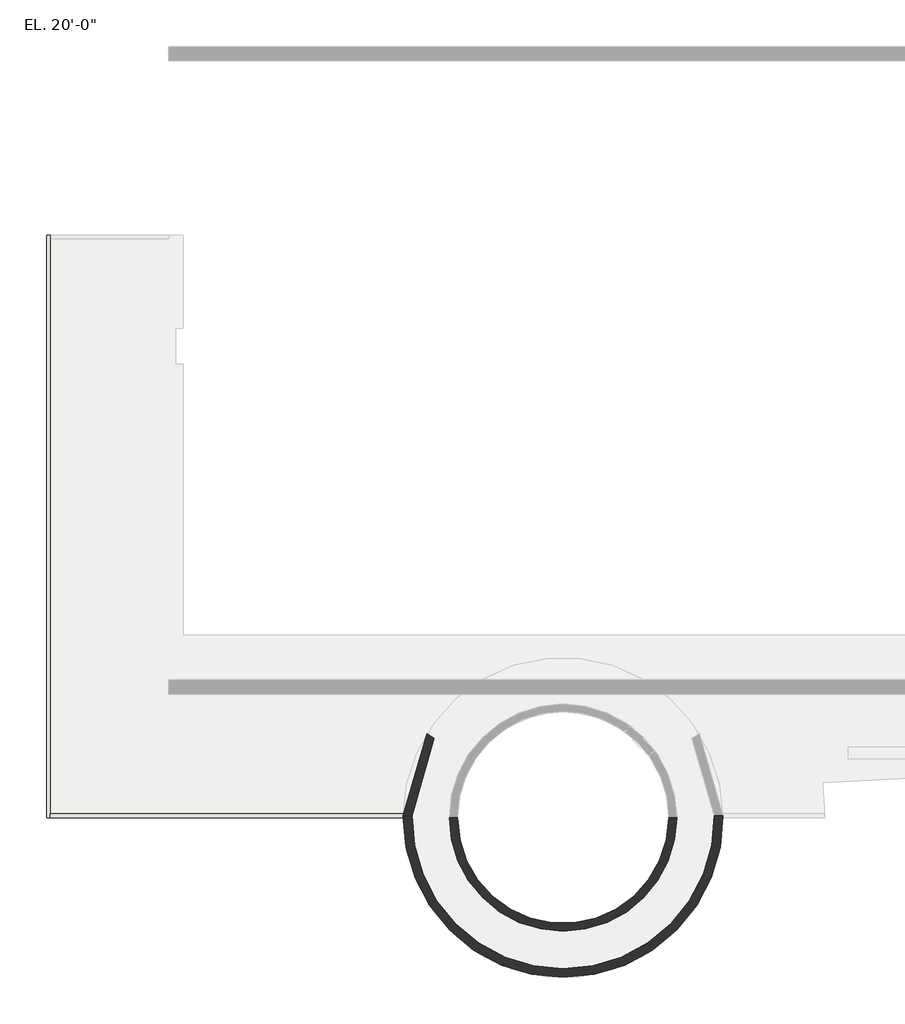
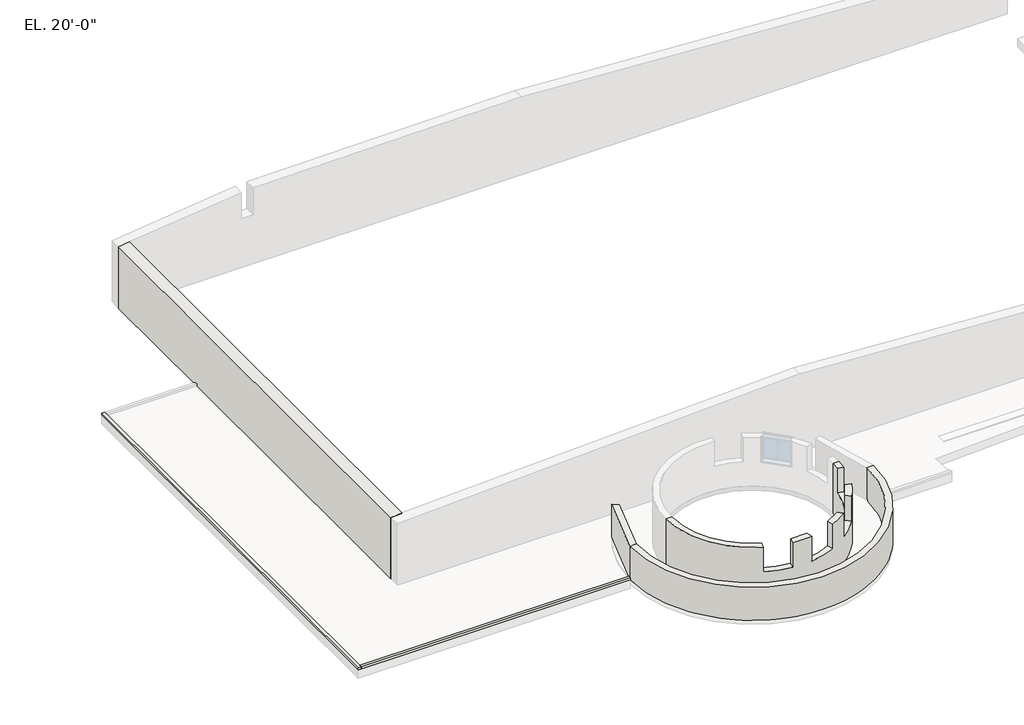
# One storey, part 1 of 2: 6 walls.
"""IFC4 building model written with IfcOpenShell, lengths in millimetres."""

from ifc_helpers import new_model, si_unit, frame, origin, place, context, project, spatial, polyline, circle_curve, faceted_brep, element, save
from ifc_brep_helpers import plane_surface, cylinder_surface, revolved_surface, advanced_brep

model = new_model("IFC4")

# Units and contexts
model_context = context("Model", 3, world=origin())
ifc_project = project(units=[si_unit("LENGTHUNIT", "METRE", prefix="MILLI")], contexts=[model_context])

# Site, building, storey
site = spatial("IfcSite", under=ifc_project)
building = spatial("IfcBuilding", under=site)
storey = spatial("IfcBuildingStorey", under=building, Name="EL. 20'-0\"", Elevation=6096.0)

# Walls
placement = place(None, origin())
element("IfcWall", 1, ObjectType="Generic - 16 3/4\"", at=placement, inside=storey, context=model_context, shape_type="AdvancedBrep", body=[
    advanced_brep(
    [(-30278.3440345, -26167.559635, 9753.6), (-30703.7940345, -26167.559635, 9753.6), (-27074.3846746, -31721.5383098, 9753.6), (-26962.8986201, -31305.4666904, 9753.6), (-18575.2940345, -26167.559635, 9753.6), (-19000.7440345, -26167.559635, 9753.6), (-19028.3087095, -26724.4290695, 9753.6), (-18612.23709, -26835.915124, 9753.6), (-23971.1885456, -32194.8665795, 9753.6), (-24082.6746, -31778.7949601, 9753.6), (-25196.413469, -31778.7949601, 9753.6), (-25307.8995234, -32194.8665795, 9753.6), (-22316.1894489, -31305.4666904, 9753.6), (-22204.7033945, -31721.5383098, 9753.6), (-21047.0777301, -31053.1828209, 9753.6), (-21351.6632951, -30748.5972559, 9753.6), (-20058.5064137, -29455.4403744, 9753.6), (-19753.9208487, -29760.0259394, 9753.6), (-19085.5653597, -28602.4002751, 9753.6), (-19501.6369792, -28490.9142207, 9753.6), (-30278.3440345, -26167.559635, 6096.0), (-19000.7440345, -26167.559635, 6096.0), (-18575.2940345, -26167.559635, 6096.0), (-30703.7940345, -26167.559635, 6096.0), (-26962.8986201, -31305.4666904, 7924.8), (-25196.413469, -31778.7949601, 7924.8), (-24082.6746, -31778.7949601, 7924.8), (-22316.1894489, -31305.4666904, 7924.8), (-21351.6632951, -30748.5972559, 7924.8), (-20058.5064137, -29455.4403744, 7924.8), (-19501.6369792, -28490.9142207, 7924.8), (-19028.3087095, -26724.4290695, 7924.8), (-18612.23709, -26835.915124, 7924.8), (-19085.5653597, -28602.4002751, 7924.8), (-19753.9208487, -29760.0259394, 7924.8), (-21047.0777301, -31053.1828209, 7924.8), (-22204.7033945, -31721.5383098, 7924.8), (-23971.1885456, -32194.8665795, 7924.8), (-25307.8995234, -32194.8665795, 7924.8), (-27074.3846746, -31721.5383098, 7924.8)],
    [
        (0, 1),
        (1, 2, circle_curve(frame((-24639.5440345, -26167.559635, 9753.6), z_axis=(0.0, 0.0, 1.0), x_axis=(1.0, 0.0, 0.0)), 6064.25)),
        (2, 3),
        (3, 0, circle_curve(frame((-24639.5440345, -26167.559635, 9753.6), z_axis=(0.0, 0.0, -1.0), x_axis=(1.0, 0.0, 0.0)), 5638.8)),
        (4, 5),
        (5, 6, circle_curve(frame((-24639.5440345, -26167.559635, 9753.6), z_axis=(0.0, 0.0, -1.0), x_axis=(1.0, 0.0, 0.0)), 5638.8)),
        (6, 7),
        (7, 4, circle_curve(frame((-24639.5440345, -26167.559635, 9753.6), z_axis=(0.0, 0.0, 1.0), x_axis=(1.0, 0.0, 0.0)), 6064.25)),
        (8, 9),
        (9, 10, circle_curve(frame((-24639.5440345, -26167.559635, 9753.6), z_axis=(0.0, 0.0, -1.0), x_axis=(1.0, 0.0, 0.0)), 5638.8)),
        (10, 11),
        (11, 8, circle_curve(frame((-24639.5440345, -26167.559635, 9753.6), z_axis=(0.0, 0.0, 1.0), x_axis=(1.0, 0.0, 0.0)), 6064.25)),
        (12, 13),
        (13, 14, circle_curve(frame((-24639.5440345, -26167.559635, 9753.6), z_axis=(0.0, 0.0, 1.0), x_axis=(1.0, 0.0, 0.0)), 6064.25)),
        (14, 15),
        (15, 12, circle_curve(frame((-24639.5440345, -26167.559635, 9753.6), z_axis=(0.0, 0.0, -1.0), x_axis=(1.0, 0.0, 0.0)), 5638.8)),
        (16, 17),
        (17, 18, circle_curve(frame((-24639.5440345, -26167.559635, 9753.6), z_axis=(0.0, 0.0, 1.0), x_axis=(1.0, 0.0, 0.0)), 6064.25)),
        (18, 19),
        (19, 16, circle_curve(frame((-24639.5440345, -26167.559635, 9753.6), z_axis=(0.0, 0.0, -1.0), x_axis=(1.0, 0.0, 0.0)), 5638.8)),
        (20, 21, circle_curve(frame((-24639.5440345, -26167.559635, 6096.0), z_axis=(0.0, 0.0, 1.0), x_axis=(1.0, 0.0, 0.0)), 5638.8)),
        (21, 22),
        (22, 23, circle_curve(frame((-24639.5440345, -26167.559635, 6096.0), z_axis=(0.0, 0.0, -1.0), x_axis=(1.0, 0.0, 0.0)), 6064.25)),
        (23, 20),
        (20, 0),
        (3, 24),
        (24, 25, circle_curve(frame((-24639.5440345, -26167.559635, 7924.8), z_axis=(0.0, 0.0, 1.0), x_axis=(1.0, 0.0, 0.0)), 5638.8)),
        (25, 10),
        (9, 26),
        (26, 27, circle_curve(frame((-24639.5440345, -26167.559635, 7924.8), z_axis=(0.0, 0.0, 1.0), x_axis=(1.0, 0.0, 0.0)), 5638.8)),
        (27, 12),
        (15, 28),
        (28, 29, circle_curve(frame((-24639.5440345, -26167.559635, 7924.8), z_axis=(0.0, 0.0, 1.0), x_axis=(1.0, 0.0, 0.0)), 5638.8)),
        (29, 16),
        (19, 30),
        (30, 31, circle_curve(frame((-24639.5440345, -26167.559635, 7924.8), z_axis=(0.0, 0.0, 1.0), x_axis=(1.0, 0.0, 0.0)), 5638.8)),
        (31, 6),
        (5, 21),
        (23, 1),
        (22, 4),
        (7, 32),
        (32, 33, circle_curve(frame((-24639.5440345, -26167.559635, 7924.8), z_axis=(0.0, 0.0, -1.0), x_axis=(1.0, 0.0, 0.0)), 6064.25)),
        (33, 18),
        (17, 34),
        (34, 35, circle_curve(frame((-24639.5440345, -26167.559635, 7924.8), z_axis=(0.0, 0.0, -1.0), x_axis=(1.0, 0.0, 0.0)), 6064.25)),
        (35, 14),
        (13, 36),
        (36, 37, circle_curve(frame((-24639.5440345, -26167.559635, 7924.8), z_axis=(0.0, 0.0, -1.0), x_axis=(1.0, 0.0, 0.0)), 6064.25)),
        (37, 8),
        (11, 38),
        (38, 39, circle_curve(frame((-24639.5440345, -26167.559635, 7924.8), z_axis=(0.0, 0.0, -1.0), x_axis=(1.0, 0.0, 0.0)), 6064.25)),
        (39, 2),
        (31, 32),
        (30, 33),
        (37, 26),
        (36, 27),
        (35, 28),
        (34, 29),
        (39, 24),
        (38, 25),
    ],
    [
        plane_surface(frame((-19000.7440345, -26167.559635, 9753.6), z_axis=(0.0, 0.0, 1.0), x_axis=(0.0, -1.0, 0.0))),
        plane_surface(frame((-19000.7440345, -26167.559635, 6096.0), z_axis=(0.0, 0.0, -1.0), x_axis=(0.0, 1.0, 0.0))),
        revolved_surface(polyline([(-19000.7440345, -26167.559635, 6096.0), (-19000.7440345, -26167.559635, 9753.6)]), (-24639.5440345, -26167.559635, 6096.0), (0.0, 0.0, -1.0)),
        plane_surface(frame((-30278.3440345, -26167.559635, 9753.6), z_axis=(0.0, 1.0, 0.0), x_axis=(0.0, 0.0, -1.0))),
        cylinder_surface(frame((-24639.5440345, -26167.559635, 6096.0), z_axis=(0.0, 0.0, 1.0), x_axis=(1.0, 0.0, 0.0)), 6064.25),
        plane_surface(frame((-18575.2940345, -26167.559635, 9753.6), z_axis=(0.0, 1.0, 0.0), x_axis=(0.0, 0.0, -1.0))),
        plane_surface(frame((-20495.2611921, -26331.3603365, 9753.6), z_axis=(-0.25881904510262654, -0.96592582628904, 0.0), x_axis=(0.96592582628904, -0.25881904510262654, 0.0))),
        plane_surface(frame((-20495.2611921, -26331.3603365, 7924.8), z_axis=(0.0, 0.0, 1.0), x_axis=(0.96592582628904, -0.25881904510262654, 0.0))),
        plane_surface(frame((-20968.5894618, -28097.8454876, 7924.8), z_axis=(0.25881904510262654, 0.96592582628904, 0.0), x_axis=(0.96592582628904, -0.25881904510262654, 0.0))),
        plane_surface(frame((-23686.8628836, -33255.984396, 9753.6), z_axis=(0.965925826289096, 0.2588190451024176, 0.0), x_axis=(-0.2588190451024176, 0.965925826289096, 0.0))),
        plane_surface(frame((-23686.8628836, -33255.984396, 7924.8), z_axis=(0.0, 0.0, 1.0), x_axis=(-0.2588190451024176, 0.965925826289096, 0.0))),
        plane_surface(frame((-21920.3777325, -32782.6561263, 7924.8), z_axis=(-0.965925826289096, -0.2588190451024176, 0.0), x_axis=(-0.2588190451024176, 0.965925826289096, 0.0))),
        plane_surface(frame((-20270.2855756, -31829.9749753, 9753.6), z_axis=(0.7071067811864993, 0.7071067811865959, 0.0), x_axis=(-0.7071067811865959, 0.7071067811864993, 0.0))),
        plane_surface(frame((-20270.2855756, -31829.9749753, 7924.8), z_axis=(0.0, 0.0, 1.0000000000000002), x_axis=(-0.7071067811865959, 0.7071067811864993, 0.0))),
        plane_surface(frame((-18977.1286942, -30536.8180939, 7924.8), z_axis=(-0.7071067811864993, -0.7071067811865959, 0.0), x_axis=(-0.7071067811865959, 0.7071067811864993, 0.0))),
        plane_surface(frame((-27358.7103366, -32782.6561263, 9753.6), z_axis=(0.9659258262890933, -0.2588190451024276, 0.0), x_axis=(0.2588190451024276, 0.9659258262890933, 0.0))),
        plane_surface(frame((-27358.7103366, -32782.6561263, 7924.8), z_axis=(0.0, 0.0, 1.0), x_axis=(0.2588190451024276, 0.9659258262890933, 0.0))),
        plane_surface(frame((-25592.2251854, -33255.984396, 7924.8), z_axis=(-0.9659258262890933, 0.2588190451024276, 0.0), x_axis=(0.2588190451024276, 0.9659258262890933, 0.0))),
    ],
    [
        (0, [[1, 2, 3, 4]]),
        (0, [[5, 6, 7, 8]]),
        (0, [[9, 10, 11, 12]]),
        (0, [[13, 14, 15, 16]]),
        (0, [[17, 18, 19, 20]]),
        (1, [[21, 22, 23, 24]]),
        (2, [[-21, 25, -4, 26, 27, 28, -10, 29, 30, 31, -16, 32, 33, 34, -20, 35, 36, 37, -6, 38]]),
        (3, [[-1, -25, -24, 39]]),
        (4, [[-23, 40, -8, 41, 42, 43, -18, 44, 45, 46, -14, 47, 48, 49, -12, 50, 51, 52, -2, -39]]),
        (5, [[-5, -40, -22, -38]]),
        (6, [[53, -41, -7, -37]]),
        (7, [[-53, -36, 54, -42]]),
        (8, [[-54, -35, -19, -43]]),
        (9, [[55, -29, -9, -49]]),
        (10, [[-55, -48, 56, -30]]),
        (11, [[-56, -47, -13, -31]]),
        (12, [[57, -32, -15, -46]]),
        (13, [[-57, -45, 58, -33]]),
        (14, [[-58, -44, -17, -34]]),
        (15, [[59, -26, -3, -52]]),
        (16, [[-59, -51, 60, -27]]),
        (17, [[-60, -50, -11, -28]]),
    ],
),
])
element("IfcWall", 2, ObjectType="Generic - 18\"", at=placement, inside=storey, context=model_context, shape_type="AdvancedBrep", body=[
    advanced_brep(
    [(-16562.9483609, -26068.7559653, 8534.4), (-32716.1397081, -26068.7559653, 8534.4), (-33173.305501, -26063.1633047, 8534.4), (-16105.7825681, -26063.1633047, 8534.4), (-16562.3440345, -26167.559635, 6096.0), (-16105.1440345, -26167.559635, 6096.0), (-33173.9440345, -26167.559635, 6096.0), (-32716.7440345, -26167.559635, 6096.0), (-16562.9483609, -26068.7559653, 6248.4), (-16562.3440345, -26167.559635, 6248.4), (-32716.7440345, -26167.559635, 6248.4), (-32716.1397081, -26068.7559653, 6248.4), (-33173.305501, -26063.1633047, 6248.4), (-33173.9440345, -26167.559635, 6248.4), (-16105.1440345, -26167.559635, 6248.4), (-16105.7825681, -26063.1633047, 6248.4)],
    [
        (0, 1, circle_curve(frame((-24639.5440345, -26167.559635, 8534.4), z_axis=(0.0, 0.0, -1.0), x_axis=(1.0, 0.0, 0.0)), 8077.2)),
        (1, 2),
        (2, 3, circle_curve(frame((-24639.5440345, -26167.559635, 8534.4), z_axis=(0.0, 0.0, 1.0), x_axis=(1.0, 0.0, 0.0)), 8534.4)),
        (3, 0),
        (4, 5),
        (5, 6, circle_curve(frame((-24639.5440345, -26167.559635, 6096.0), z_axis=(0.0, 0.0, -1.0), x_axis=(1.0, 0.0, 0.0)), 8534.4)),
        (6, 7),
        (7, 4, circle_curve(frame((-24639.5440345, -26167.559635, 6096.0), z_axis=(0.0, 0.0, 1.0), x_axis=(1.0, 0.0, 0.0)), 8077.2)),
        (0, 8),
        (8, 9, circle_curve(frame((-24639.5440345, -26167.559635, 6248.4), z_axis=(0.0, 0.0, -1.0), x_axis=(1.0, 0.0, 0.0)), 8077.2)),
        (9, 4),
        (7, 10),
        (10, 11, circle_curve(frame((-24639.5440345, -26167.559635, 6248.4), z_axis=(0.0, 0.0, -1.0), x_axis=(1.0, 0.0, 0.0)), 8077.2)),
        (11, 1),
        (2, 12),
        (12, 13, circle_curve(frame((-24639.5440345, -26167.559635, 6248.4), z_axis=(0.0, 0.0, 1.0), x_axis=(1.0, 0.0, 0.0)), 8534.4)),
        (13, 6),
        (5, 14),
        (14, 15, circle_curve(frame((-24639.5440345, -26167.559635, 6248.4), z_axis=(0.0, 0.0, 1.0), x_axis=(1.0, 0.0, 0.0)), 8534.4)),
        (15, 3),
        (11, 12),
        (10, 13),
        (15, 8),
        (14, 9),
    ],
    [
        plane_surface(frame((-16562.3440345, -26167.559635, 8534.4), z_axis=(0.0, 0.0, 1.0), x_axis=(0.0, -1.0, 0.0))),
        plane_surface(frame((-16562.3440345, -26167.559635, 6096.0), z_axis=(0.0, 0.0, -1.0), x_axis=(0.0, 1.0, 0.0))),
        revolved_surface(polyline([(-16562.344034499998, -26167.559635, 6096.0), (-16562.344034499998, -26167.559635, 8534.4)]), (-24639.5440345, -26167.559635, 6096.0), (0.0, 0.0, -1.0)),
        cylinder_surface(frame((-24639.5440345, -26167.559635, 6096.0), z_axis=(0.0, 0.0, 1.0), x_axis=(1.0, 0.0, 0.0)), 8534.4),
        plane_surface(frame((-32716.1397081, -26068.7559653, 8534.4), z_axis=(0.012232415902256363, 0.9999251812016708, 0.0), x_axis=(0.0, 0.0, -1.0))),
        plane_surface(frame((-32716.1397081, -26068.7559653, 6248.4), z_axis=(0.0, 0.0, -1.0), x_axis=(1.0, 0.0, 0.0))),
        plane_surface(frame((-52223.9440345, -26167.559635, 6096.0), z_axis=(0.0, 1.0, 0.0), x_axis=(1.0, 0.0, 0.0))),
        plane_surface(frame((-16105.7825681, -26063.1633047, 8534.4), z_axis=(-0.012232415902019551, 0.9999251812016737, 0.0), x_axis=(0.0, 0.0, -1.0))),
        plane_surface(frame((-16105.7825681, -26063.1633047, 6248.4), z_axis=(0.0, 0.0, -1.0), x_axis=(1.0, 0.0, 0.0))),
        plane_surface(frame((-16105.1440345, -26167.559635, 6096.0), z_axis=(0.0, 1.0, 0.0), x_axis=(1.0, 0.0, 0.0))),
    ],
    [
        (0, [[1, 2, 3, 4]]),
        (1, [[5, 6, 7, 8]]),
        (2, [[-1, 9, 10, 11, -8, 12, 13, 14]]),
        (3, [[-3, 15, 16, 17, -6, 18, 19, 20]]),
        (4, [[-2, -14, 21, -15]]),
        (5, [[-21, -13, 22, -16]]),
        (6, [[-12, -7, -17, -22]]),
        (7, [[-4, -20, 23, -9]]),
        (8, [[-23, -19, 24, -10]]),
        (9, [[-18, -5, -11, -24]]),
    ],
),
])
element("IfcWall", 3, ObjectType="Generic - 18\"", at=placement, inside=storey, context=model_context, shape_type="AdvancedBrep", body=[
    advanced_brep(
    [(-32716.1397081, -26068.7559653, 8534.4), (-31526.48917, -21947.2342281, 8534.4), (-31916.3162532, -21708.3478843, 8534.4), (-33173.305501, -26063.1633047, 8534.4), (-32714.1876551, -25964.359635, 6096.0), (-33171.524644, -25964.359635, 6096.0), (-31916.3162532, -21708.3478843, 6096.0), (-31526.48917, -21947.2342281, 6096.0), (-32716.1397081, -26068.7559653, 6248.4), (-32714.1876551, -25964.359635, 6248.4), (-33171.524644, -25964.359635, 6248.4), (-33173.305501, -26063.1633047, 6248.4)],
    [
        (0, 1, circle_curve(frame((-24639.5440345, -26167.559635, 8534.4), z_axis=(0.0, 0.0, -1.0), x_axis=(1.0, 0.0, 0.0)), 8077.2)),
        (1, 2),
        (2, 3, circle_curve(frame((-24639.5440345, -26167.559635, 8534.4), z_axis=(0.0, 0.0, 1.0), x_axis=(1.0, 0.0, 0.0)), 8534.4)),
        (3, 0),
        (4, 5),
        (5, 6, circle_curve(frame((-24639.5440345, -26167.559635, 6096.0), z_axis=(0.0, 0.0, -1.0), x_axis=(1.0, 0.0, 0.0)), 8534.4)),
        (6, 7),
        (7, 4, circle_curve(frame((-24639.5440345, -26167.559635, 6096.0), z_axis=(0.0, 0.0, 1.0), x_axis=(1.0, 0.0, 0.0)), 8077.2)),
        (0, 8),
        (8, 9, circle_curve(frame((-24639.5440345, -26167.559635, 6248.4), z_axis=(0.0, 0.0, -1.0), x_axis=(1.0, 0.0, 0.0)), 8077.2)),
        (9, 4),
        (7, 1),
        (6, 2),
        (5, 10),
        (10, 11, circle_curve(frame((-24639.5440345, -26167.559635, 6248.4), z_axis=(0.0, 0.0, 1.0), x_axis=(1.0, 0.0, 0.0)), 8534.4)),
        (11, 3),
        (11, 8),
        (10, 9),
    ],
    [
        plane_surface(frame((-16562.3440345, -26167.559635, 8534.4), z_axis=(0.0, 0.0, 1.0), x_axis=(0.0, -1.0, 0.0))),
        plane_surface(frame((-16562.3440345, -26167.559635, 6096.0), z_axis=(0.0, 0.0, -1.0), x_axis=(0.0, 1.0, 0.0))),
        revolved_surface(polyline([(-16562.344034499998, -26167.559635, 6096.0), (-16562.344034499998, -26167.559635, 8534.4)]), (-24639.5440345, -26167.559635, 6096.0), (0.0, 0.0, -1.0)),
        plane_surface(frame((-31526.48917, -21947.2342281, 8534.4), z_axis=(0.5224985647159421, 0.8526401643540964, 0.0), x_axis=(0.0, 0.0, -1.0))),
        cylinder_surface(frame((-24639.5440345, -26167.559635, 6096.0), z_axis=(0.0, 0.0, 1.0), x_axis=(1.0, 0.0, 0.0)), 8534.4),
        plane_surface(frame((-33173.305501, -26063.1633047, 8534.4), z_axis=(-0.012232415902256363, -0.9999251812016708, 0.0), x_axis=(0.0, 0.0, -1.0))),
        plane_surface(frame((-33173.305501, -26063.1633047, 6248.4), z_axis=(0.0, 0.0, -1.0), x_axis=(1.0, 0.0, 0.0))),
        plane_surface(frame((-52223.9440345, -25964.359635, 6096.0), z_axis=(0.0, -1.0, 0.0), x_axis=(-1.0, 0.0, 0.0))),
    ],
    [
        (0, [[1, 2, 3, 4]]),
        (1, [[5, 6, 7, 8]]),
        (2, [[-1, 9, 10, 11, -8, 12]]),
        (3, [[-2, -12, -7, 13]]),
        (4, [[-3, -13, -6, 14, 15, 16]]),
        (5, [[-4, -16, 17, -9]]),
        (6, [[-17, -15, 18, -10]]),
        (7, [[-14, -5, -11, -18]]),
    ],
),
])
element("IfcWall", 4, ObjectType="Generic - 30\"", at=placement, inside=storey, context=model_context, shape_type="AdvancedBrep", body=[
    advanced_brep(
    [(-44934.1440345, -18826.959635, 6096.0), (-44934.1440345, 14218.440365, 6096.0), (-44934.1440345, 14218.440365, 10747.3025836), (-44934.1440345, -18826.959635, 10747.3025836), (-45696.1440345, -18826.959635, 6096.0), (-45696.1440345, -18826.959635, 10636.4819514), (-45696.1440345, 14218.440365, 10636.4819514), (-45696.1440345, 14218.440365, 6096.0), (-45696.1440345, 4922.040365, 6096.0), (-45696.1440345, 4718.840365, 6096.0)],
    [
        (0, 1),
        (1, 2),
        (2, 3),
        (3, 0),
        (4, 5),
        (5, 6),
        (6, 7),
        (7, 8),
        (8, 9),
        (9, 4),
        (0, 4),
        (7, 1),
        (6, 2, circle_curve(frame((-25638.127005, 14218.440365, -124606.8031675), z_axis=(0.0, 1.0, 0.0), x_axis=(1.0, 0.0, 0.0)), 136722.6031675)),
        (3, 5, circle_curve(frame((-25638.127005, -18826.959635, -124606.8031675), z_axis=(0.0, -1.0, 0.0), x_axis=(1.0, 0.0, 0.0)), 136722.6031675)),
    ],
    [
        plane_surface(frame((-44934.1440345, -17937.959635, 6096.0), z_axis=(1.0, 0.0, 0.0), x_axis=(0.0, 1.0, 0.0))),
        plane_surface(frame((-45696.1440345, -17937.959635, 6096.0), z_axis=(-1.0, 0.0, 0.0), x_axis=(0.0, -1.0, 0.0))),
        plane_surface(frame((-44934.1440345, -19207.959635, 6096.0), z_axis=(0.0, 0.0, -1.0), x_axis=(-1.0, 0.0, 0.0))),
        plane_surface(frame((-44756.3440345, 14218.440365, 6096.0), z_axis=(0.0, 1.0, 0.0), x_axis=(1.0, 0.0, 0.0))),
        plane_surface(frame((15594.0559655, -18826.959635, 6096.0), z_axis=(0.0, -1.0, 0.0), x_axis=(-1.0, 0.0, 0.0))),
        cylinder_surface(frame((-25638.127005, 14218.440365, -124606.8031675), z_axis=(0.0, 1.0, 0.0), x_axis=(1.0, 0.0, 0.0)), 136722.6031675),
    ],
    [
        (0, [[1, 2, 3, 4]]),
        (1, [[5, 6, 7, 8, 9, 10]]),
        (2, [[-1, 11, -10, -9, -8, 12]]),
        (3, [[-2, -12, -7, 13]]),
        (4, [[-4, 14, -5, -11]]),
        (5, [[-3, -13, -6, -14]]),
    ],
),
])
element("IfcWall", 5, ObjectType="Generic - 8\"", at=placement, inside=storey, context=model_context, shape_type="Brep", body=[
    faceted_brep([(-52223.9440345, 4922.040365, 6096.0), (-52223.9440345, -26167.559635, 6096.0), (-52223.9440345, -26167.559635, 6248.4), (-52223.9440345, 4922.040365, 6248.4), (-52020.7440345, 4922.040365, 6096.0), (-52020.7440345, 4922.040365, 6248.4), (-52020.7440345, 4718.840365, 6248.4), (-52020.7440345, -25964.359635, 6248.4), (-52020.7440345, -26167.559635, 6248.4), (-52020.7440345, -26167.559635, 6096.0), (-52020.7440345, -25964.359635, 6096.0), (-52020.7440345, 4718.840365, 6096.0)], [[[0, 1, 2, 3]], [[4, 5, 6, 7, 8, 9, 10, 11]], [[1, 0, 4, 11, 10, 9]], [[3, 2, 8, 7, 6, 5]], [[2, 1, 9, 8]], [[0, 3, 5, 4]]]),
])
element("IfcWall", 6, ObjectType="Generic - 8\"", at=placement, inside=storey, context=model_context, shape_type="AdvancedBrep", body=[
    advanced_brep(
    [(-52020.7440345, -26167.559635, 6096.0), (-33173.9440345, -26167.559635, 6096.0), (-32716.7440345, -26167.559635, 6096.0), (-32716.7440345, -26167.559635, 6248.4), (-33173.9440345, -26167.559635, 6248.4), (-52020.7440345, -26167.559635, 6248.4), (-52020.7440345, -25964.359635, 6096.0), (-52020.7440345, -25964.359635, 6248.4), (-33171.524644, -25964.359635, 6248.4), (-32714.1876551, -25964.359635, 6248.4), (-32714.1876551, -25964.359635, 6096.0), (-33171.524644, -25964.359635, 6096.0), (-32716.1397072, -26068.7558914, 6248.4)],
    [
        (0, 1),
        (1, 2),
        (2, 3),
        (3, 4),
        (4, 5),
        (5, 0),
        (6, 7),
        (7, 8),
        (8, 9),
        (9, 10),
        (10, 11),
        (11, 6),
        (0, 6),
        (10, 2, circle_curve(frame((-24639.5440345, -26167.559635, 6096.0), z_axis=(0.0, 0.0, 1.0), x_axis=(1.0, 0.0, 0.0)), 8077.2)),
        (3, 12, circle_curve(frame((-24639.5440345, -26167.559635, 6248.4), z_axis=(0.0, 0.0, -1.0), x_axis=(1.0, 0.0, 0.0)), 8077.2)),
        (12, 9, circle_curve(frame((-24639.5440345, -26167.559635, 6248.4), z_axis=(0.0, 0.0, -1.0), x_axis=(1.0, 0.0, 0.0)), 8077.2)),
        (7, 5),
    ],
    [
        plane_surface(frame((-52223.9440345, -26167.559635, 6096.0), z_axis=(0.0, -1.0, 0.0), x_axis=(1.0, 0.0, 0.0))),
        plane_surface(frame((-52223.9440345, -25964.359635, 6096.0), z_axis=(0.0, 1.0, 0.0), x_axis=(-1.0, 0.0, 0.0))),
        plane_surface(frame((-52122.3440345, -26167.559635, 6096.0), z_axis=(0.0, 0.0, -1.0), x_axis=(0.0, 1.0, 0.0))),
        plane_surface(frame((-32944.7226045, -26167.559635, 6248.4), z_axis=(0.0, 0.0, 1.0), x_axis=(0.0, 1.0, 0.0))),
        plane_surface(frame((-52020.7440345, 4922.040365, 6096.0), z_axis=(-1.0, 0.0, 0.0), x_axis=(0.0, 1.0, 0.0))),
        revolved_surface(polyline([(-16562.344034499998, -26167.559635, 6096.0), (-16562.344034499998, -26167.559635, 6248.4)]), (-24639.5440345, -26167.559635, 6096.0), (0.0, 0.0, -1.0)),
    ],
    [
        (0, [[1, 2, 3, 4, 5, 6]]),
        (1, [[7, 8, 9, 10, 11, 12]]),
        (2, [[-2, -1, 13, -12, -11, 14]]),
        (3, [[-5, -4, 15, 16, -9, -8, 17]]),
        (4, [[-6, -17, -7, -13]]),
        (5, [[-3, -14, -10, -16, -15]]),
    ],
),
])

save(model, "model.ifc")
